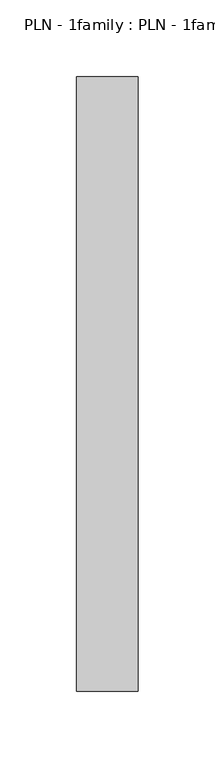
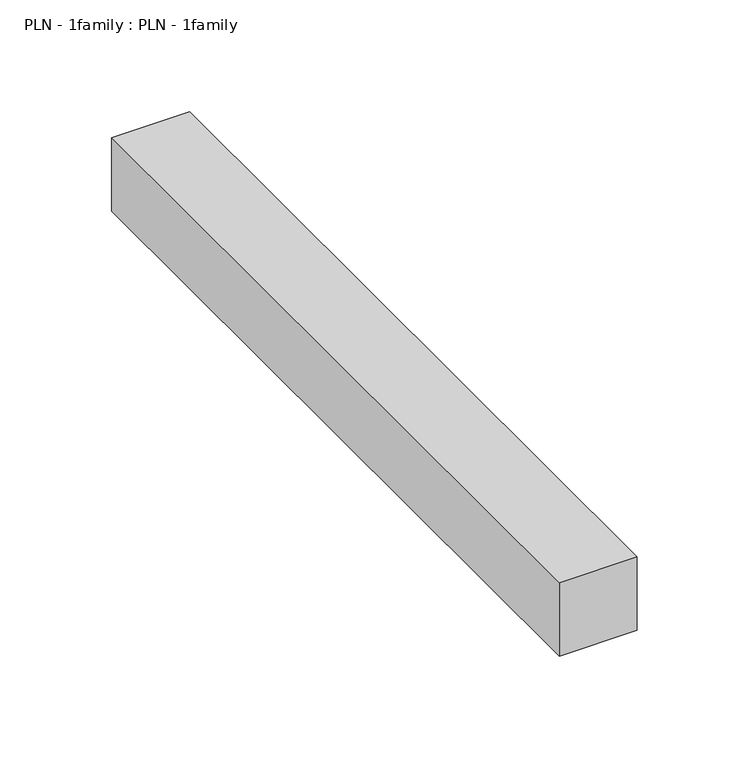
"""IFC4 building model written with IfcOpenShell, lengths in millimetres: proxy geometry, PLN - 1family : PLN - 1family."""

from ifc_helpers import new_model, si_unit, frame, origin, place, context, project, spatial, polyline, outline, extrude, source, transform, mapped, element, save


def pln_1family_pln_1family_212ed542(model_context):
    return source(origin(), model_context, "Body", "SweptSolid", [
        extrude(outline(polyline([(0.0, 400.0), (40.0, 400.0), (40.0, 0.0), (0.0, 0.0), (0.0, 400.0)])), frame((0.0, 0.0, 350.0), z_axis=(0.0, 0.0, 1.0), x_axis=(1.0, 0.0, 0.0)), (0.0, 0.0, 1.0), 40.0),
    ])


if __name__ == "__main__":
    model = new_model("IFC4")
    model_context = context("Model", 3, world=origin())
    ifc_project = project(units=[si_unit("LENGTHUNIT", "METRE", prefix="MILLI")], contexts=[model_context])
    site = spatial("IfcSite", under=ifc_project)
    building = spatial("IfcBuilding", under=site)
    placement = place(None, origin())
    pln_1family_pln_1family_shape = pln_1family_pln_1family_212ed542(model_context)
    element("IfcBuildingElementProxy", 1, Name="PLN - 1family : PLN - 1family", ObjectType="PLN - 1family : PLN - 1family", at=placement, inside=building, context=model_context, shape_type="MappedRepresentation", body=[
        mapped(pln_1family_pln_1family_shape, transform((0.0, 0.0, 0.0), x_axis=(1.0, 0.0, 0.0), y_axis=(0.0, 1.0, 0.0), z_axis=(0.0, 0.0, 1.0))),
    ])
    save(model, "model.ifc")
